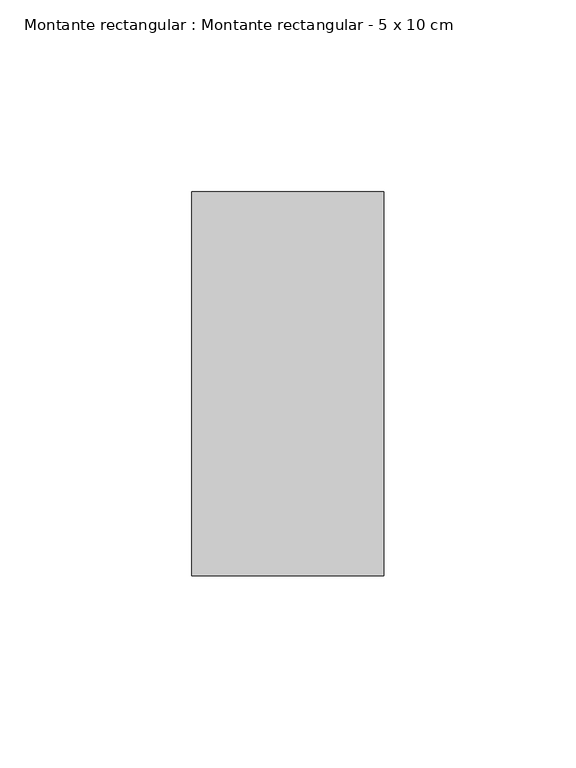
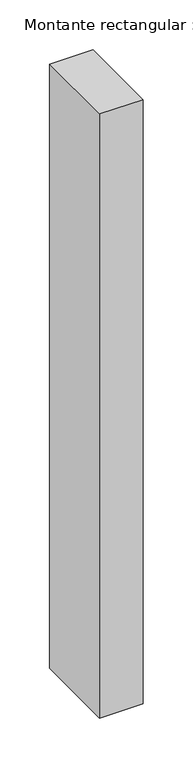
"""IFC4 building model written with IfcOpenShell, lengths in millimetres: member geometry, Montante rectangular : Montante rectangular - 5 x 10 cm."""

import ifcopenshell
import ifcopenshell.guid

model = None  # the IFC model being written
_history = None  # IfcOwnerHistory: only IFC2X3 demands one
_inside = {}  # id of a spatial element -> (the spatial element, [elements in it])
_under = {}  # id of a project, library or spatial element -> (it, [spatial elements below it])
_declared = {}  # id of a project -> (the project, [libraries it declares])
_typed = {}  # id of a type object -> (the type object, [elements of that type])
_made_of = {}  # id of a material, layer set ... -> (it, [elements and type objects made of it])


def new_model(schema):
    """Start an empty IFC model of exactly this schema.

    Asked for "IFC4X3", IfcOpenShell would pick the latest addendum, in which some entities
    have other attributes; the version numbers below select the first issue.
    IFC2X3 requires an IfcOwnerHistory on every rooted entity: one is made here for all.
    """
    global model, _history
    if schema == "IFC4X3":
        model = ifcopenshell.file(schema_version=(4, 3, 0, 0))
    else:
        model = ifcopenshell.file(schema=schema)
    _inside.clear()
    _under.clear()
    _declared.clear()
    _typed.clear()
    _made_of.clear()
    _history = None
    if model.schema == "IFC2X3":
        org = make("IfcOrganization", Name="unknown")
        user = make(
            "IfcPersonAndOrganization",
            ThePerson=make("IfcPerson", FamilyName="unknown"),
            TheOrganization=org,
        )
        app = make(
            "IfcApplication",
            ApplicationDeveloper=org,
            Version="unknown",
            ApplicationFullName="unknown",
            ApplicationIdentifier="unknown",
        )
        _history = make(
            "IfcOwnerHistory",
            OwningUser=user,
            OwningApplication=app,
            ChangeAction="ADDED",
            CreationDate=0,
        )
    return model


def make(cls, **values):
    """One entity of the class cls with the attributes given. An attribute that is None is left unset."""
    return model.create_entity(
        cls, **{name: value for name, value in values.items() if value is not None}
    )


def rooted(cls, **values):
    """An entity with a GlobalId (a new one), such as an element, a storey or a relation."""
    return make(cls, GlobalId=ifcopenshell.guid.new(), OwnerHistory=_history, **values)


def si_unit(unit_type, name, prefix=None):
    """IfcSIUnit, for example si_unit("LENGTHUNIT", "METRE", prefix="MILLI")."""
    return make("IfcSIUnit", UnitType=unit_type, Prefix=prefix, Name=name)


def assignment(units):
    """IfcUnitAssignment: the units of a project."""
    return None if units is None else make("IfcUnitAssignment", Units=units)


def point(xyz):
    """IfcCartesianPoint."""
    return None if xyz is None else make("IfcCartesianPoint", Coordinates=xyz)


def direction(xyz):
    """IfcDirection."""
    return None if xyz is None else make("IfcDirection", DirectionRatios=xyz)


def frame(location, z_axis=None, x_axis=None):
    """IfcAxis2Placement3D, a coordinate frame: its origin and axes. An axis left out is left unset."""
    return make(
        "IfcAxis2Placement3D",
        Location=point(location),
        Axis=direction(z_axis),
        RefDirection=direction(x_axis),
    )


def origin():
    """The frame at (0, 0, 0) with its axes left unset."""
    return frame((0.0, 0.0, 0.0))


def place(relative_to, where):
    """IfcLocalPlacement: puts the frame where relative to a parent placement (None: the world)."""
    return make(
        "IfcLocalPlacement", PlacementRelTo=relative_to, RelativePlacement=where
    )


def context(
    kind, dimensions, precision=None, world=None, true_north=None, identifier=None
):
    """IfcGeometricRepresentationContext, for example the 3D "Model" context."""
    return make(
        "IfcGeometricRepresentationContext",
        ContextIdentifier=identifier,
        ContextType=kind,
        CoordinateSpaceDimension=dimensions,
        Precision=precision,
        WorldCoordinateSystem=world,
        TrueNorth=true_north,
    )


def project(units=None, contexts=None):
    """IfcProject with its units and contexts."""
    return rooted(
        "IfcProject",
        Name="project",
        RepresentationContexts=contexts,
        UnitsInContext=assignment(units),
    )


def spatial(cls, under=None, at=None, **own):
    """A site, building, storey or space (cls), placed at a placement, below another one or the project."""
    s = rooted(cls, ObjectPlacement=at, **own)
    if under is not None:
        _under.setdefault(under.id(), (under, []))[1].append(s)
    return s


def polyline(points):
    """IfcPolyline through the points."""
    return make("IfcPolyline", Points=[point(p) for p in points])


def outline(outer, holes=None, kind="AREA"):
    """IfcArbitraryClosedProfileDef: a profile drawn as a closed curve; with holes, ...WithVoids."""
    if holes is None:
        return make("IfcArbitraryClosedProfileDef", ProfileType=kind, OuterCurve=outer)
    return make(
        "IfcArbitraryProfileDefWithVoids",
        ProfileType=kind,
        OuterCurve=outer,
        InnerCurves=holes,
    )


def extrude(swept, where, along, depth):
    """IfcExtrudedAreaSolid: the profile swept, set in the frame where, extruded along a direction by depth."""
    return make(
        "IfcExtrudedAreaSolid",
        SweptArea=swept,
        Position=where,
        ExtrudedDirection=direction(along),
        Depth=depth,
    )


def shape(context_of_items, identifier, shape_type, items):
    """IfcShapeRepresentation: the items that make up one representation, for example the "Body"."""
    return make(
        "IfcShapeRepresentation",
        ContextOfItems=context_of_items,
        RepresentationIdentifier=identifier,
        RepresentationType=shape_type,
        Items=items,
    )


def source(mapping_origin, context_of_items, identifier, shape_type, items):
    """IfcRepresentationMap: a shape defined once, which mapped items show again and again."""
    return make(
        "IfcRepresentationMap",
        MappingOrigin=mapping_origin,
        MappedRepresentation=shape(context_of_items, identifier, shape_type, items),
    )


def transform(
    local_origin,
    x_axis=None,
    y_axis=None,
    z_axis=None,
    scale=None,
    scale2=None,
    scale3=None,
    uniform=True,
):
    """IfcCartesianTransformationOperator3D, or its non-uniform kind. x_axis, y_axis, z_axis: its Axis1, 2, 3."""
    if uniform:
        return make(
            "IfcCartesianTransformationOperator3D",
            Axis1=direction(x_axis),
            Axis2=direction(y_axis),
            LocalOrigin=point(local_origin),
            Scale=scale,
            Axis3=direction(z_axis),
        )
    return make(
        "IfcCartesianTransformationOperator3DnonUniform",
        Axis1=direction(x_axis),
        Axis2=direction(y_axis),
        LocalOrigin=point(local_origin),
        Scale=scale,
        Axis3=direction(z_axis),
        Scale2=scale2,
        Scale3=scale3,
    )


def mapped(mapping_source, mapping_target):
    """IfcMappedItem: shows the shape of a source again, moved by a transform."""
    return make(
        "IfcMappedItem", MappingSource=mapping_source, MappingTarget=mapping_target
    )


def made_of(thing, what):
    """Note that an element or type object is made of a material, layer set ...; save() writes the relation."""
    if what is not None:
        _made_of.setdefault(what.id(), (what, []))[1].append(thing)
    return thing


def element(
    cls,
    number,
    at=None,
    inside=None,
    cuts=None,
    type_object=None,
    material=None,
    context=None,
    identifier="Body",
    shape_type=None,
    held_by="IfcProductDefinitionShape",
    body=None,
    shapes=None,
    **own,
):
    """One element of the class cls, such as IfcWall. Its Tag is "e" and its number.

    at: its placement. inside: the storey or other place that contains it. cuts: it is an
    opening in that element (IfcRelVoidsElement). A single representation is given by context,
    identifier, shape_type and body (its items); several are given by shapes. held_by: the class
    of the entity that holds the representations. save() writes the other relations.
    """
    e = rooted(cls, Tag="e%d" % number, ObjectPlacement=at, **own)
    if body is not None:
        shapes = [shape(context, identifier, shape_type, body)]
    if shapes is not None:
        e.Representation = make(held_by, Representations=shapes)
    if inside is not None:
        _inside.setdefault(inside.id(), (inside, []))[1].append(e)
    if cuts is not None:
        rooted(
            "IfcRelVoidsElement", RelatingBuildingElement=cuts, RelatedOpeningElement=e
        )
    if type_object is not None:
        _typed.setdefault(type_object.id(), (type_object, []))[1].append(e)
    return made_of(e, material)


def aggregate(whole, parts):
    """IfcRelAggregates: a whole, such as a stair, and the parts it consists of."""
    return rooted("IfcRelAggregates", RelatingObject=whole, RelatedObjects=parts)


def save(model, path):
    """Write the relations noted so far, then the file.

    IfcRelAggregates (storeys below a building ...), IfcRelContainedInSpatialStructure (elements
    in a storey), IfcRelDefinesByType, IfcRelAssociatesMaterial and IfcRelDeclares: one each for
    every whole, place, type object, material and project.
    """
    for whole, parts in _under.values():
        aggregate(whole, parts)
    for where, things in _inside.values():
        rooted(
            "IfcRelContainedInSpatialStructure",
            RelatedElements=things,
            RelatingStructure=where,
        )
    for kind, things in _typed.values():
        rooted("IfcRelDefinesByType", RelatedObjects=things, RelatingType=kind)
    for what, things in _made_of.values():
        rooted("IfcRelAssociatesMaterial", RelatedObjects=things, RelatingMaterial=what)
    for by, libraries in _declared.values():
        rooted("IfcRelDeclares", RelatingContext=by, RelatedDefinitions=libraries)
    model.write(path)


def montante_rectangular_montante_rectangular_5_x_10_cm_b677bead(model_context):
    return source(origin(), model_context, "Body", "SweptSolid", [
        extrude(outline(polyline([(0.0, 50.0), (0.0, -50.0), (-50.0, -50.0), (-50.0, 50.0), (0.0, 50.0)])), frame((0.0, 0.0, -738.7397376), z_axis=(0.0, 0.0, 1.0), x_axis=(1.0, 0.0, 0.0)), (0.0, 0.0, 1.0), 738.7397376),
    ])


if __name__ == "__main__":
    model = new_model("IFC4")
    model_context = context("Model", 3, world=origin())
    ifc_project = project(units=[si_unit("LENGTHUNIT", "METRE", prefix="MILLI")], contexts=[model_context])
    site = spatial("IfcSite", under=ifc_project)
    building = spatial("IfcBuilding", under=site)
    placement = place(None, origin())
    montante_rectangular_montante_rectangular_5_x_10_cm_shape = montante_rectangular_montante_rectangular_5_x_10_cm_b677bead(model_context)
    element("IfcMember", 1, ObjectType="Montante rectangular : Montante rectangular - 5 x 10 cm", at=placement, inside=building, context=model_context, shape_type="MappedRepresentation", body=[
        mapped(montante_rectangular_montante_rectangular_5_x_10_cm_shape, transform((0.0, 0.0, 0.0), x_axis=(1.0, 0.0, 0.0), y_axis=(0.0, 1.0, 0.0), z_axis=(0.0, 0.0, 1.0))),
    ])
    save(model, "model.ifc")
